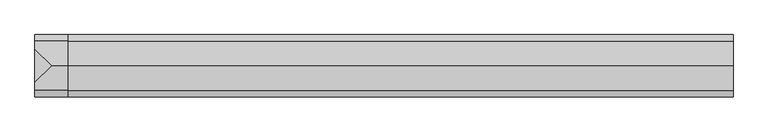
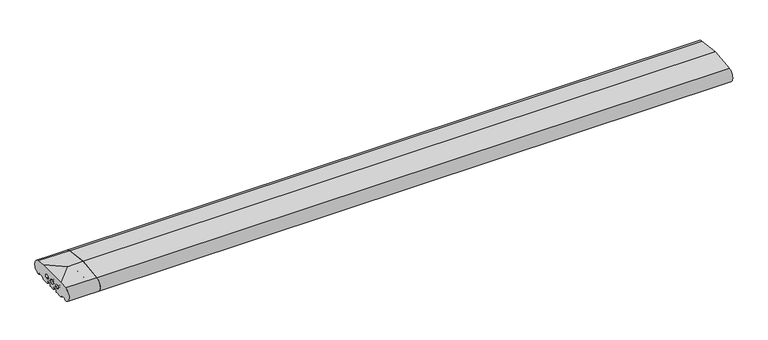
"""IFC4 building model written with IfcOpenShell, lengths in millimetres: proxy geometry."""

from ifc_helpers import new_model, si_unit, point, frame, frame_2d, origin, place, context, project, spatial, polyline, circle_curve, trimmed, segment, composite_curve, outline, extrude, source, transform, mapped, element, save
from ifc_brep_helpers import plane_surface, cylinder_surface, revolved_surface, advanced_brep


def generic_models_2c4097f7(model_context):
    return source(origin(), model_context, "Body", "SolidModel", [
        advanced_brep(
        [(-110.0, -136.5981483, 2.5074549), (-110.0, -138.0858073, 50.4091909), (-110.0, -110.3340136, 53.7462575), (-110.0, 0.3340136, 53.7462575), (-110.0, 28.0858073, 50.4091909), (-110.0, 26.5981483, 2.5074549), (-110.0, 25.7072001, 3.0071443), (-110.0, 23.6905989, 6.5), (-110.0, 21.9585481, 7.5), (-110.0, 5.4848276, 7.5), (-110.0, 3.7527767, 6.5), (-110.0, 0.2886751, 0.5), (-110.0, -0.5773503, 0.0), (-110.0, -27.0, 0.0), (-110.0, -28.0, 1.0), (-110.0, -28.0, 7.0), (-110.0, -30.0, 9.0), (-110.0, -43.0, 9.0), (-110.0, -45.0, 7.0), (-110.0, -45.0, 1.0), (-110.0, -46.0, 0.0), (-110.0, -64.0, 0.0), (-110.0, -65.0, 1.0), (-110.0, -65.0, 7.0), (-110.0, -67.0, 9.0), (-110.0, -80.0, 9.0), (-110.0, -82.0, 7.0), (-110.0, -82.0, 1.0), (-110.0, -83.0, 0.0), (-110.0, -109.4226497, 0.0), (-110.0, -110.2886751, 0.5), (-110.0, -113.7527767, 6.5), (-110.0, -115.4848276, 7.5), (-110.0, -131.9585481, 7.5), (-110.0, -133.6905989, 6.5), (-110.0, -135.7072001, 3.0071443), (-110.0, -84.3659949, 17.8353497), (-110.0, -84.3659949, 29.8353497), (-110.0, -87.6340051, 29.8353497), (-110.0, -87.6340051, 17.8353497), (-110.0, -62.9623451, 23.8353497), (-110.0, -47.0376549, 23.8353497), (-110.0, -25.6340051, 17.8353497), (-110.0, -22.3659949, 17.8353497), (-110.0, -22.3659949, 29.8353497), (-110.0, -25.6340051, 29.8353497), (0.0, -136.5981483, 2.5074549), (0.0, -135.7072001, 3.0071443), (0.0, -133.6905989, 6.5), (0.0, -131.9585481, 7.5), (0.0, -115.4848276, 7.5), (0.0, -113.7527767, 6.5), (0.0, -110.2886751, 0.5), (0.0, -109.4226497, 0.0), (0.0, -83.0, 0.0), (0.0, -82.0, 1.0), (0.0, -82.0, 7.0), (0.0, -80.0, 9.0), (0.0, -67.0, 9.0), (0.0, -65.0, 7.0), (0.0, -65.0, 1.0), (0.0, -64.0, 0.0), (0.0, -46.0, 0.0), (0.0, -45.0, 1.0), (0.0, -45.0, 7.0), (0.0, -43.0, 9.0), (0.0, -30.0, 9.0), (0.0, -28.0, 7.0), (0.0, -28.0, 1.0), (0.0, -27.0, 0.0), (0.0, -0.5773503, 0.0), (0.0, 0.2886751, 0.5), (0.0, 3.7527767, 6.5), (0.0, 5.4848276, 7.5), (0.0, 21.9585481, 7.5), (0.0, 23.6905989, 6.5), (0.0, 25.7072001, 3.0071443), (0.0, 26.5981483, 2.5074549), (0.0, 28.0858073, 50.4091909), (0.0, -55.0, 60.4), (0.0, -138.0858073, 50.4091909), (0.0, -84.3659949, 17.8353497), (0.0, -87.6340051, 17.8353497), (0.0, -87.6340051, 29.8353497), (0.0, -84.3659949, 29.8353497), (0.0, -62.9623451, 23.8353497), (0.0, -47.0376549, 23.8353497), (0.0, -25.6340051, 17.8353497), (0.0, -25.6340051, 29.8353497), (0.0, -22.3659949, 29.8353497), (0.0, -22.3659949, 17.8353497), (-54.0, -55.0, 60.4)],
        [
            (0, 1, circle_curve(frame((-110.0, -136.0, 26.5), z_axis=(-1.0, 0.0, 0.0), x_axis=(0.0, -0.08690863944627836, 0.9962162859487877)), 24.0)),
            (1, 2),
            (2, 3),
            (3, 4),
            (4, 5, circle_curve(frame((-110.0, 26.0, 26.5), z_axis=(-1.0, 0.0, 0.0), x_axis=(0.0, 0.08690863944627836, 0.9962162859487877)), 24.0)),
            (5, 6, circle_curve(frame((-110.0, 26.5732255, 3.5071443), z_axis=(-1.0, 0.0, 0.0), x_axis=(0.0, 0.024922847684081085, -0.999689377588517)), 1.0)),
            (6, 7),
            (7, 8, circle_curve(frame((-110.0, 21.9585481, 5.5), z_axis=(1.0, 0.0, 0.0), x_axis=(0.0, 0.8660254037844379, 0.5000000000000012)), 2.0)),
            (8, 9),
            (9, 10, circle_curve(frame((-110.0, 5.4848276, 5.5), z_axis=(1.0, 0.0, 0.0), x_axis=(0.0, 0.0, 1.0)), 2.0)),
            (10, 11),
            (11, 12, circle_curve(frame((-110.0, -0.5773503, 1.0), z_axis=(-1.0, 0.0, 0.0), x_axis=(0.0, 0.8660254037844339, -0.5000000000000082)), 1.0)),
            (12, 13),
            (13, 14, circle_curve(frame((-110.0, -27.0, 1.0), z_axis=(-1.0, 0.0, 0.0), x_axis=(0.0, 0.0, -1.0)), 1.0)),
            (14, 15),
            (15, 16, circle_curve(frame((-110.0, -30.0, 7.0), z_axis=(1.0, 0.0, 0.0), x_axis=(0.0, 1.0, 0.0)), 2.0)),
            (16, 17),
            (17, 18, circle_curve(frame((-110.0, -43.0, 7.0), z_axis=(1.0, 0.0, 0.0), x_axis=(0.0, 0.0, 1.0)), 2.0)),
            (18, 19),
            (19, 20, circle_curve(frame((-110.0, -46.0, 1.0), z_axis=(-1.0, 0.0, 0.0), x_axis=(0.0, 1.0, 0.0)), 1.0)),
            (20, 21),
            (21, 22, circle_curve(frame((-110.0, -64.0, 1.0), z_axis=(-1.0, 0.0, 0.0), x_axis=(0.0, -1.0, 0.0)), 1.0)),
            (22, 23),
            (23, 24, circle_curve(frame((-110.0, -67.0, 7.0), z_axis=(1.0, 0.0, 0.0), x_axis=(0.0, 0.0, 1.0)), 2.0)),
            (24, 25),
            (25, 26, circle_curve(frame((-110.0, -80.0, 7.0), z_axis=(1.0, 0.0, 0.0), x_axis=(0.0, -1.0, 0.0)), 2.0)),
            (26, 27),
            (27, 28, circle_curve(frame((-110.0, -83.0, 1.0), z_axis=(-1.0, 0.0, 0.0), x_axis=(0.0, 0.0, -1.0)), 1.0)),
            (28, 29),
            (29, 30, circle_curve(frame((-110.0, -109.4226497, 1.0), z_axis=(-1.0, 0.0, 0.0), x_axis=(0.0, -0.8660254037844339, -0.5000000000000082)), 1.0)),
            (30, 31),
            (31, 32, circle_curve(frame((-110.0, -115.4848276, 5.5), z_axis=(1.0, 0.0, 0.0), x_axis=(0.0, 0.0, 1.0)), 2.0)),
            (32, 33),
            (33, 34, circle_curve(frame((-110.0, -131.9585481, 5.5), z_axis=(1.0, 0.0, 0.0), x_axis=(0.0, -0.8660254037844379, 0.5000000000000012)), 2.0)),
            (34, 35),
            (35, 0, circle_curve(frame((-110.0, -136.5732255, 3.5071443), z_axis=(-1.0, 0.0, 0.0), x_axis=(0.0, -0.024922847684081085, -0.999689377588517)), 1.0)),
            (36, 37, circle_curve(frame((-110.0, -83.9962051, 23.8353497), z_axis=(1.0, 0.0, 0.0), x_axis=(0.0, -0.061514911664729485, 0.9981061645150182)), 6.0113846)),
            (37, 38),
            (38, 39, circle_curve(frame((-110.0, -88.0037949, 23.8353497), z_axis=(1.0, 0.0, 0.0), x_axis=(0.0, 0.061514911664663253, -0.9981061645150223)), 6.0113846)),
            (39, 36),
            (40, 41, circle_curve(frame((-110.0, -55.0, 23.8353497), z_axis=(1.0, 0.0, 0.0), x_axis=(0.0, 1.0, 0.0)), 7.9623451)),
            (41, 40, circle_curve(frame((-110.0, -55.0, 23.8353497), z_axis=(1.0, 0.0, 0.0), x_axis=(0.0, 1.0, 0.0)), 7.9623451)),
            (42, 43),
            (43, 44, circle_curve(frame((-110.0, -21.9962051, 23.8353497), z_axis=(1.0, 0.0, 0.0), x_axis=(0.0, -0.061514911664663253, -0.9981061645150223)), 6.0113846)),
            (44, 45),
            (45, 42, circle_curve(frame((-110.0, -26.0037949, 23.8353497), z_axis=(1.0, 0.0, 0.0), x_axis=(0.0, 0.061514911664729485, 0.9981061645150182)), 6.0113846)),
            (46, 47, circle_curve(frame((0.0, -136.5732255, 3.5071443), z_axis=(1.0, 0.0, 0.0), x_axis=(0.0, -0.024922847684081085, -0.999689377588517)), 1.0)),
            (47, 48),
            (48, 49, circle_curve(frame((0.0, -131.9585481, 5.5), z_axis=(-1.0, 0.0, 0.0), x_axis=(0.0, -0.8660254037844379, 0.5000000000000012)), 2.0)),
            (49, 50),
            (50, 51, circle_curve(frame((0.0, -115.4848276, 5.5), z_axis=(-1.0, 0.0, 0.0), x_axis=(0.0, 0.0, 1.0)), 2.0)),
            (51, 52),
            (52, 53, circle_curve(frame((0.0, -109.4226497, 1.0), z_axis=(1.0, 0.0, 0.0), x_axis=(0.0, -0.8660254037844339, -0.5000000000000082)), 1.0)),
            (53, 54),
            (54, 55, circle_curve(frame((0.0, -83.0, 1.0), z_axis=(1.0, 0.0, 0.0), x_axis=(0.0, 0.0, -1.0)), 1.0)),
            (55, 56),
            (56, 57, circle_curve(frame((0.0, -80.0, 7.0), z_axis=(-1.0, 0.0, 0.0), x_axis=(0.0, -1.0, 0.0)), 2.0)),
            (57, 58),
            (58, 59, circle_curve(frame((0.0, -67.0, 7.0), z_axis=(-1.0, 0.0, 0.0), x_axis=(0.0, 0.0, 1.0)), 2.0)),
            (59, 60),
            (60, 61, circle_curve(frame((0.0, -64.0, 1.0), z_axis=(1.0, 0.0, 0.0), x_axis=(0.0, -1.0, 0.0)), 1.0)),
            (61, 62),
            (62, 63, circle_curve(frame((0.0, -46.0, 1.0), z_axis=(1.0, 0.0, 0.0), x_axis=(0.0, 1.0, 0.0)), 1.0)),
            (63, 64),
            (64, 65, circle_curve(frame((0.0, -43.0, 7.0), z_axis=(-1.0, 0.0, 0.0), x_axis=(0.0, 0.0, 1.0)), 2.0)),
            (65, 66),
            (66, 67, circle_curve(frame((0.0, -30.0, 7.0), z_axis=(-1.0, 0.0, 0.0), x_axis=(0.0, 1.0, 0.0)), 2.0)),
            (67, 68),
            (68, 69, circle_curve(frame((0.0, -27.0, 1.0), z_axis=(1.0, 0.0, 0.0), x_axis=(0.0, 0.0, -1.0)), 1.0)),
            (69, 70),
            (70, 71, circle_curve(frame((0.0, -0.5773503, 1.0), z_axis=(1.0, 0.0, 0.0), x_axis=(0.0, 0.8660254037844339, -0.5000000000000082)), 1.0)),
            (71, 72),
            (72, 73, circle_curve(frame((0.0, 5.4848276, 5.5), z_axis=(-1.0, 0.0, 0.0), x_axis=(0.0, 0.0, 1.0)), 2.0)),
            (73, 74),
            (74, 75, circle_curve(frame((0.0, 21.9585481, 5.5), z_axis=(-1.0, 0.0, 0.0), x_axis=(0.0, 0.8660254037844379, 0.5000000000000012)), 2.0)),
            (75, 76),
            (76, 77, circle_curve(frame((0.0, 26.5732255, 3.5071443), z_axis=(1.0, 0.0, 0.0), x_axis=(0.0, 0.024922847684081085, -0.999689377588517)), 1.0)),
            (77, 78, circle_curve(frame((0.0, 26.0, 26.5), z_axis=(1.0, 0.0, 0.0), x_axis=(0.0, 0.08690863944627836, 0.9962162859487877)), 24.0)),
            (78, 79),
            (79, 80),
            (80, 46, circle_curve(frame((0.0, -136.0, 26.5), z_axis=(1.0, 0.0, 0.0), x_axis=(0.0, -0.08690863944627836, 0.9962162859487877)), 24.0)),
            (81, 82),
            (82, 83, circle_curve(frame((0.0, -88.0037949, 23.8353497), z_axis=(-1.0, 0.0, 0.0), x_axis=(0.0, 0.061514911664663253, -0.9981061645150223)), 6.0113846)),
            (83, 84),
            (84, 81, circle_curve(frame((0.0, -83.9962051, 23.8353497), z_axis=(-1.0, 0.0, 0.0), x_axis=(0.0, -0.061514911664729485, 0.9981061645150182)), 6.0113846)),
            (85, 86, circle_curve(frame((0.0, -55.0, 23.8353497), z_axis=(-1.0, 0.0, 0.0), x_axis=(0.0, 1.0, 0.0)), 7.9623451)),
            (86, 85, circle_curve(frame((0.0, -55.0, 23.8353497), z_axis=(-1.0, 0.0, 0.0), x_axis=(0.0, 1.0, 0.0)), 7.9623451)),
            (87, 88, circle_curve(frame((0.0, -26.0037949, 23.8353497), z_axis=(-1.0, 0.0, 0.0), x_axis=(0.0, 0.061514911664729485, 0.9981061645150182)), 6.0113846)),
            (88, 89),
            (89, 90, circle_curve(frame((0.0, -21.9962051, 23.8353497), z_axis=(-1.0, 0.0, 0.0), x_axis=(0.0, -0.061514911664663253, -0.9981061645150223)), 6.0113846)),
            (90, 87),
            (20, 62),
            (61, 21),
            (60, 22),
            (59, 23),
            (58, 24),
            (57, 25),
            (56, 26),
            (55, 27),
            (54, 28),
            (53, 29),
            (52, 30),
            (51, 31),
            (50, 32),
            (49, 33),
            (48, 34),
            (47, 35),
            (46, 0),
            (80, 1),
            (79, 91),
            (91, 2),
            (36, 81),
            (84, 37),
            (83, 38),
            (82, 39),
            (40, 85),
            (86, 41),
            (91, 3),
            (78, 4),
            (77, 5),
            (76, 6),
            (75, 7),
            (74, 8),
            (73, 9),
            (72, 10),
            (71, 11),
            (70, 12),
            (69, 13),
            (68, 14),
            (67, 15),
            (66, 16),
            (65, 17),
            (64, 18),
            (63, 19),
            (42, 87),
            (90, 43),
            (89, 44),
            (88, 45),
        ],
        [
            plane_surface(frame((-110.0, 0.0, 0.0), z_axis=(-1.0, 0.0, 0.0), x_axis=(0.0, 0.0, 1.0))),
            plane_surface(frame((0.0, 0.0, 0.0), z_axis=(1.0, 0.0, 0.0), x_axis=(0.0, 0.0, 1.0))),
            plane_surface(frame((-110.0, -55.0, 0.0), z_axis=(0.0, 0.0, -1.0), x_axis=(1.0, 0.0, 0.0))),
            cylinder_surface(frame((-110.0, -64.0, 1.0), z_axis=(-1.0, 0.0, 0.0), x_axis=(0.0, -1.0, 0.0)), 1.0),
            plane_surface(frame((-110.0, -65.0, 1.0), z_axis=(0.0, -1.0, 0.0), x_axis=(1.0, 0.0, 0.0))),
            revolved_surface(polyline([(0.0, -67.0, 9.0), (-110.0, -67.0, 9.0)]), (-110.0, -67.0, 7.0), (1.0, 0.0, 0.0)),
            plane_surface(frame((-110.0, -67.0, 9.0), z_axis=(0.0, 0.0, -1.0), x_axis=(1.0, 0.0, 0.0))),
            revolved_surface(polyline([(0.0, -82.0, 7.0), (-110.0, -82.0, 7.0)]), (-110.0, -80.0, 7.0), (1.0, 0.0, 0.0)),
            plane_surface(frame((-110.0, -82.0, 7.0), z_axis=(0.0, 1.0, 0.0), x_axis=(1.0, 0.0, 0.0))),
            cylinder_surface(frame((-110.0, -83.0, 1.0), z_axis=(-1.0, 0.0, 0.0), x_axis=(0.0, 0.0, -1.0)), 1.0),
            plane_surface(frame((-110.0, -83.0, 0.0), z_axis=(0.0, 0.0, -1.0), x_axis=(1.0, 0.0, 0.0))),
            cylinder_surface(frame((-110.0, -109.4226497, 1.0), z_axis=(-1.0, 0.0, 0.0), x_axis=(0.0, -0.8660254037844339, -0.5000000000000082)), 1.0),
            plane_surface(frame((-110.0, -110.2886751, 0.5), z_axis=(0.0, -0.8660254037844349, -0.5000000000000064), x_axis=(1.0, 0.0, 0.0))),
            revolved_surface(polyline([(0.0, -115.4848276, 7.5), (-110.0, -115.4848276, 7.5)]), (-110.0, -115.4848276, 5.5), (1.0, 0.0, 0.0)),
            plane_surface(frame((-110.0, -115.4848276, 7.5), z_axis=(0.0, 0.0, -1.0), x_axis=(1.0, 0.0, 0.0))),
            revolved_surface(polyline([(0.0, -133.69059890756887, 6.500000000000003), (-110.0, -133.69059890756887, 6.500000000000003)]), (-110.0, -131.9585481, 5.5), (1.0, 0.0, 0.0)),
            plane_surface(frame((-110.0, -133.6905989, 6.5), z_axis=(0.0, 0.8660254037844368, -0.5000000000000032), x_axis=(1.0, 0.0, 0.0))),
            cylinder_surface(frame((-110.0, -136.5732255, 3.5071443), z_axis=(-1.0000000000000002, 0.0, 0.0), x_axis=(0.0, -0.024922847684081085, -0.999689377588517)), 1.0),
            cylinder_surface(frame((-110.0, -136.0, 26.5), z_axis=(-1.0, 0.0, 0.0), x_axis=(0.0, -0.08690863944627836, 0.9962162859487877)), 24.0),
            plane_surface(frame((-110.0, -138.0858073, 50.4091909), z_axis=(0.0, -0.11938685218914781, 0.9928478128718251), x_axis=(1.0, 0.0, 0.0))),
            revolved_surface(polyline([(0.0, -84.36599489265171, 29.835349726530644), (-110.0, -84.36599489265171, 29.835349726530644)]), (-110.0, -83.9962051, 23.8353497), (1.0, 0.0, 0.0)),
            plane_surface(frame((-110.0, -84.3659949, 29.8353497), z_axis=(0.0, 0.0, -1.0), x_axis=(1.0, 0.0, 0.0))),
            revolved_surface(polyline([(5.684341886080802e-14, -87.63400510734868, 17.835349673469327), (-110.0, -87.63400510734868, 17.835349673469327)]), (-110.0, -88.0037949, 23.8353497), (1.0000000000000002, 0.0, 0.0)),
            plane_surface(frame((-110.0, -87.6340051, 17.8353497), z_axis=(0.0, 0.0, 1.0), x_axis=(1.0, 0.0, 0.0))),
            revolved_surface(polyline([(0.0, -47.0376549, 23.8353497), (-110.0, -47.0376549, 23.8353497)]), (-110.0, -55.0, 23.8353497), (1.0, 0.0, 0.0)),
            plane_surface(frame((-174.9291446, -250.0, 46.0315823), z_axis=(-0.11798691299107414, 0.0, 0.9930151501174778), x_axis=(0.0, 1.0, 0.0))),
            plane_surface(frame((-110.0, -55.0, 60.4), z_axis=(0.0, 0.11938685218914852, 0.992847812871825), x_axis=(1.0, 0.0, 0.0))),
            cylinder_surface(frame((-110.0, 26.0, 26.5), z_axis=(-1.0, 0.0, 0.0), x_axis=(0.0, 0.08690863944627836, 0.9962162859487877)), 24.0),
            cylinder_surface(frame((-110.0, 26.5732255, 3.5071443), z_axis=(-1.0000000000000002, 0.0, 0.0), x_axis=(0.0, 0.024922847684081085, -0.999689377588517)), 1.0),
            plane_surface(frame((-110.0, 25.7072001, 3.0071443), z_axis=(0.0, -0.8660254037844368, -0.5000000000000032), x_axis=(1.0, 0.0, 0.0))),
            revolved_surface(polyline([(0.0, 23.690598907568877, 6.500000000000003), (-110.0, 23.690598907568877, 6.500000000000003)]), (-110.0, 21.9585481, 5.5), (1.0, 0.0, 0.0)),
            plane_surface(frame((-110.0, 21.9585481, 7.5), z_axis=(0.0, 0.0, -1.0), x_axis=(1.0, 0.0, 0.0))),
            revolved_surface(polyline([(0.0, 5.4848276, 7.5), (-110.0, 5.4848276, 7.5)]), (-110.0, 5.4848276, 5.5), (1.0, 0.0, 0.0)),
            plane_surface(frame((-110.0, 3.7527767, 6.5), z_axis=(0.0, 0.8660254037844349, -0.5000000000000064), x_axis=(1.0, 0.0, 0.0))),
            cylinder_surface(frame((-110.0, -0.5773503, 1.0), z_axis=(-1.0, 0.0, 0.0), x_axis=(0.0, 0.8660254037844339, -0.5000000000000082)), 1.0),
            plane_surface(frame((-110.0, -0.5773503, 0.0), z_axis=(0.0, 0.0, -1.0), x_axis=(1.0, 0.0, 0.0))),
            cylinder_surface(frame((-110.0, -27.0, 1.0), z_axis=(-1.0, 0.0, 0.0), x_axis=(0.0, 0.0, -1.0)), 1.0),
            plane_surface(frame((-110.0, -28.0, 1.0), z_axis=(0.0, -1.0, 0.0), x_axis=(1.0, 0.0, 0.0))),
            revolved_surface(polyline([(0.0, -28.0, 7.0), (-110.0, -28.0, 7.0)]), (-110.0, -30.0, 7.0), (1.0, 0.0, 0.0)),
            plane_surface(frame((-110.0, -30.0, 9.0), z_axis=(0.0, 0.0, -1.0), x_axis=(1.0, 0.0, 0.0))),
            revolved_surface(polyline([(0.0, -43.0, 9.0), (-110.0, -43.0, 9.0)]), (-110.0, -43.0, 7.0), (1.0, 0.0, 0.0)),
            plane_surface(frame((-110.0, -45.0, 7.0), z_axis=(0.0, 1.0, 0.0), x_axis=(1.0, 0.0, 0.0))),
            cylinder_surface(frame((-110.0, -46.0, 1.0), z_axis=(-1.0, 0.0, 0.0), x_axis=(0.0, 1.0, 0.0)), 1.0),
            plane_surface(frame((-110.0, -25.6340051, 17.8353497), z_axis=(0.0, 0.0, 1.0), x_axis=(1.0, 0.0, 0.0))),
            revolved_surface(polyline([(5.684341886080802e-14, -22.36599489265132, 17.835349673469327), (-110.0, -22.36599489265132, 17.835349673469327)]), (-110.0, -21.9962051, 23.8353497), (1.0000000000000002, 0.0, 0.0)),
            plane_surface(frame((-110.0, -22.3659949, 29.8353497), z_axis=(0.0, 0.0, -1.0), x_axis=(1.0, 0.0, 0.0))),
            revolved_surface(polyline([(0.0, -25.634005107348283, 29.835349726530644), (-110.0, -25.634005107348283, 29.835349726530644)]), (-110.0, -26.0037949, 23.8353497), (1.0, 0.0, 0.0)),
        ],
        [
            (0, [[1, 2, 3, 4, 5, 6, 7, 8, 9, 10, 11, 12, 13, 14, 15, 16, 17, 18, 19, 20, 21, 22, 23, 24, 25, 26, 27, 28, 29, 30, 31, 32, 33, 34, 35, 36], [37, 38, 39, 40], [41, 42], [43, 44, 45, 46]]),
            (1, [[47, 48, 49, 50, 51, 52, 53, 54, 55, 56, 57, 58, 59, 60, 61, 62, 63, 64, 65, 66, 67, 68, 69, 70, 71, 72, 73, 74, 75, 76, 77, 78, 79, 80, 81], [82, 83, 84, 85], [86, 87], [88, 89, 90, 91]]),
            (2, [[-21, 92, -62, 93]]),
            (3, [[-22, -93, -61, 94]]),
            (4, [[-23, -94, -60, 95]]),
            (5, [[-24, -95, -59, 96]]),
            (6, [[-25, -96, -58, 97]]),
            (7, [[-26, -97, -57, 98]]),
            (8, [[-27, -98, -56, 99]]),
            (9, [[-28, -99, -55, 100]]),
            (10, [[-29, -100, -54, 101]]),
            (11, [[-30, -101, -53, 102]]),
            (12, [[-31, -102, -52, 103]]),
            (13, [[-32, -103, -51, 104]]),
            (14, [[-33, -104, -50, 105]]),
            (15, [[-34, -105, -49, 106]]),
            (16, [[-35, -106, -48, 107]]),
            (17, [[-36, -107, -47, 108]]),
            (18, [[-1, -108, -81, 109]]),
            (19, [[-80, 110, 111, -2, -109]]),
            (20, [[-37, 112, -85, 113]]),
            (21, [[-38, -113, -84, 114]]),
            (22, [[-39, -114, -83, 115]]),
            (23, [[-40, -115, -82, -112]]),
            (24, [[-41, 116, -87, 117]]),
            (24, [[-42, -117, -86, -116]]),
            (25, [[-3, -111, 118]]),
            (26, [[-79, 119, -4, -118, -110]]),
            (27, [[-5, -119, -78, 120]]),
            (28, [[-6, -120, -77, 121]]),
            (29, [[-7, -121, -76, 122]]),
            (30, [[-8, -122, -75, 123]]),
            (31, [[-9, -123, -74, 124]]),
            (32, [[-10, -124, -73, 125]]),
            (33, [[-11, -125, -72, 126]]),
            (34, [[-12, -126, -71, 127]]),
            (35, [[-13, -127, -70, 128]]),
            (36, [[-14, -128, -69, 129]]),
            (37, [[-15, -129, -68, 130]]),
            (38, [[-16, -130, -67, 131]]),
            (39, [[-17, -131, -66, 132]]),
            (40, [[-18, -132, -65, 133]]),
            (41, [[-19, -133, -64, 134]]),
            (42, [[-20, -134, -63, -92]]),
            (43, [[-43, 135, -91, 136]]),
            (44, [[-44, -136, -90, 137]]),
            (45, [[-45, -137, -89, 138]]),
            (46, [[-46, -138, -88, -135]]),
        ],
    ),
        extrude(outline(composite_curve([segment(trimmed(circle_curve(frame_2d((-136.0, 26.5)), 24.0), [point((-136.5981483, 2.5074549))], [point((-138.0858073, 50.4091909))], False, "CARTESIAN"), True, "CONTINUOUS"), segment(polyline([(-138.0858073, 50.4091909), (-55.0, 60.4), (28.0858073, 50.4091909)]), True, "CONTINUOUS"), segment(trimmed(circle_curve(frame_2d((26.0, 26.5)), 24.0), [point((28.0858073, 50.4091909))], [point((26.5981483, 2.5074549))], False, "CARTESIAN"), True, "CONTINUOUS"), segment(trimmed(circle_curve(frame_2d((26.5732255, 3.5071443)), 1.0), [point((26.5981483, 2.5074549))], [point((25.7072001, 3.0071443))], False, "CARTESIAN"), True, "CONTINUOUS"), segment(polyline([(25.7072001, 3.0071443), (23.6905989, 6.5)]), True, "CONTINUOUS"), segment(trimmed(circle_curve(frame_2d((21.9585481, 5.5)), 2.0), [point((23.6905989, 6.5))], [point((21.9585481, 7.5))], True, "CARTESIAN"), True, "CONTINUOUS"), segment(polyline([(21.9585481, 7.5), (5.4848276, 7.5)]), True, "CONTINUOUS"), segment(trimmed(circle_curve(frame_2d((5.4848276, 5.5)), 2.0), [point((5.4848276, 7.5))], [point((3.7527767, 6.5))], True, "CARTESIAN"), True, "CONTINUOUS"), segment(polyline([(3.7527767, 6.5), (0.2886751, 0.5)]), True, "CONTINUOUS"), segment(trimmed(circle_curve(frame_2d((-0.5773503, 1.0)), 1.0), [point((0.2886751, 0.5))], [point((-0.5773503, 0.0))], False, "CARTESIAN"), True, "CONTINUOUS"), segment(polyline([(-0.5773503, 0.0), (-27.0, 0.0)]), True, "CONTINUOUS"), segment(trimmed(circle_curve(frame_2d((-27.0, 1.0)), 1.0), [point((-27.0, 0.0))], [point((-28.0, 1.0))], False, "CARTESIAN"), True, "CONTINUOUS"), segment(polyline([(-28.0, 1.0), (-28.0, 7.0)]), True, "CONTINUOUS"), segment(trimmed(circle_curve(frame_2d((-30.0, 7.0)), 2.0), [point((-28.0, 7.0))], [point((-30.0, 9.0))], True, "CARTESIAN"), True, "CONTINUOUS"), segment(polyline([(-30.0, 9.0), (-43.0, 9.0)]), True, "CONTINUOUS"), segment(trimmed(circle_curve(frame_2d((-43.0, 7.0)), 2.0), [point((-43.0, 9.0))], [point((-45.0, 7.0))], True, "CARTESIAN"), True, "CONTINUOUS"), segment(polyline([(-45.0, 7.0), (-45.0, 1.0)]), True, "CONTINUOUS"), segment(trimmed(circle_curve(frame_2d((-46.0, 1.0)), 1.0), [point((-45.0, 1.0))], [point((-46.0, 0.0))], False, "CARTESIAN"), True, "CONTINUOUS"), segment(polyline([(-46.0, 0.0), (-64.0, 0.0)]), True, "CONTINUOUS"), segment(trimmed(circle_curve(frame_2d((-64.0, 1.0)), 1.0), [point((-64.0, 0.0))], [point((-65.0, 1.0))], False, "CARTESIAN"), True, "CONTINUOUS"), segment(polyline([(-65.0, 1.0), (-65.0, 7.0)]), True, "CONTINUOUS"), segment(trimmed(circle_curve(frame_2d((-67.0, 7.0)), 2.0), [point((-65.0, 7.0))], [point((-67.0, 9.0))], True, "CARTESIAN"), True, "CONTINUOUS"), segment(polyline([(-67.0, 9.0), (-80.0, 9.0)]), True, "CONTINUOUS"), segment(trimmed(circle_curve(frame_2d((-80.0, 7.0)), 2.0), [point((-80.0, 9.0))], [point((-82.0, 7.0))], True, "CARTESIAN"), True, "CONTINUOUS"), segment(polyline([(-82.0, 7.0), (-82.0, 1.0)]), True, "CONTINUOUS"), segment(trimmed(circle_curve(frame_2d((-83.0, 1.0)), 1.0), [point((-82.0, 1.0))], [point((-83.0, 0.0))], False, "CARTESIAN"), True, "CONTINUOUS"), segment(polyline([(-83.0, 0.0), (-109.4226497, 0.0)]), True, "CONTINUOUS"), segment(trimmed(circle_curve(frame_2d((-109.4226497, 1.0)), 1.0), [point((-109.4226497, 0.0))], [point((-110.2886751, 0.5))], False, "CARTESIAN"), True, "CONTINUOUS"), segment(polyline([(-110.2886751, 0.5), (-113.7527767, 6.5)]), True, "CONTINUOUS"), segment(trimmed(circle_curve(frame_2d((-115.4848276, 5.5)), 2.0), [point((-113.7527767, 6.5))], [point((-115.4848276, 7.5))], True, "CARTESIAN"), True, "CONTINUOUS"), segment(polyline([(-115.4848276, 7.5), (-131.9585481, 7.5)]), True, "CONTINUOUS"), segment(trimmed(circle_curve(frame_2d((-131.9585481, 5.5)), 2.0), [point((-131.9585481, 7.5))], [point((-133.6905989, 6.5))], True, "CARTESIAN"), True, "CONTINUOUS"), segment(polyline([(-133.6905989, 6.5), (-135.7072001, 3.0071443)]), True, "CONTINUOUS"), segment(trimmed(circle_curve(frame_2d((-136.5732255, 3.5071443)), 1.0), [point((-135.7072001, 3.0071443))], [point((-136.5981483, 2.5074549))], False, "CARTESIAN"), True, "CONTINUOUS")], self_intersect=False), holes=[composite_curve([segment(trimmed(circle_curve(frame_2d((-55.0, 23.8353497)), 7.9623451), [point((-62.9623451, 23.8353497))], [point((-47.0376549, 23.8353497))], True, "CARTESIAN"), True, "CONTINUOUS"), segment(trimmed(circle_curve(frame_2d((-55.0, 23.8353497)), 7.9623451), [point((-47.0376549, 23.8353497))], [point((-62.9623451, 23.8353497))], True, "CARTESIAN"), True, "CONTINUOUS")], self_intersect=False), composite_curve([segment(trimmed(circle_curve(frame_2d((-83.9962051, 23.8353497)), 6.0113846), [point((-84.3659949, 17.8353497))], [point((-84.3659949, 29.8353497))], True, "CARTESIAN"), True, "CONTINUOUS"), segment(polyline([(-84.3659949, 29.8353497), (-87.6340051, 29.8353497)]), True, "CONTINUOUS"), segment(trimmed(circle_curve(frame_2d((-88.0037949, 23.8353497)), 6.0113846), [point((-87.6340051, 29.8353497))], [point((-87.6340051, 17.8353497))], True, "CARTESIAN"), True, "CONTINUOUS"), segment(polyline([(-87.6340051, 17.8353497), (-84.3659949, 17.8353497)]), True, "CONTINUOUS")], self_intersect=False), composite_curve([segment(polyline([(-25.6340051, 17.8353497), (-22.3659949, 17.8353497)]), True, "CONTINUOUS"), segment(trimmed(circle_curve(frame_2d((-21.9962051, 23.8353497)), 6.0113846), [point((-22.3659949, 17.8353497))], [point((-22.3659949, 29.8353497))], True, "CARTESIAN"), True, "CONTINUOUS"), segment(polyline([(-22.3659949, 29.8353497), (-25.6340051, 29.8353497)]), True, "CONTINUOUS"), segment(trimmed(circle_curve(frame_2d((-26.0037949, 23.8353497)), 6.0113846), [point((-25.6340051, 29.8353497))], [point((-25.6340051, 17.8353497))], True, "CARTESIAN"), True, "CONTINUOUS")], self_intersect=False)]), frame((0.0, 0.0, 0.0), z_axis=(1.0, 0.0, 0.0), x_axis=(0.0, 1.0, 0.0)), (0.0, 0.0, 1.0), 2240.0),
    ])


if __name__ == "__main__":
    model = new_model("IFC4")
    model_context = context("Model", 3, world=origin())
    ifc_project = project(units=[si_unit("LENGTHUNIT", "METRE", prefix="MILLI")], contexts=[model_context])
    site = spatial("IfcSite", under=ifc_project)
    building = spatial("IfcBuilding", under=site)
    placement = place(None, origin())
    generic_models_shape = generic_models_2c4097f7(model_context)
    element("IfcBuildingElementProxy", 1, Name="Generic Models", at=placement, inside=building, context=model_context, shape_type="MappedRepresentation", body=[
        mapped(generic_models_shape, transform((0.0, 0.0, 0.0), x_axis=(1.0, 0.0, 0.0), y_axis=(0.0, 1.0, 0.0), z_axis=(0.0, 0.0, 1.0))),
    ])
    save(model, "model.ifc")
